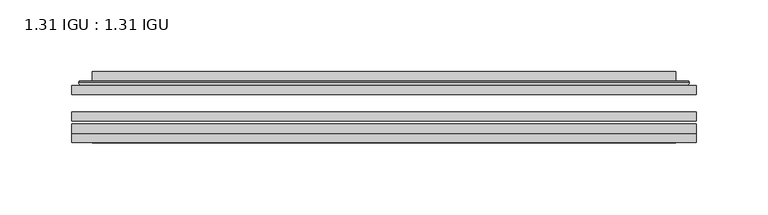
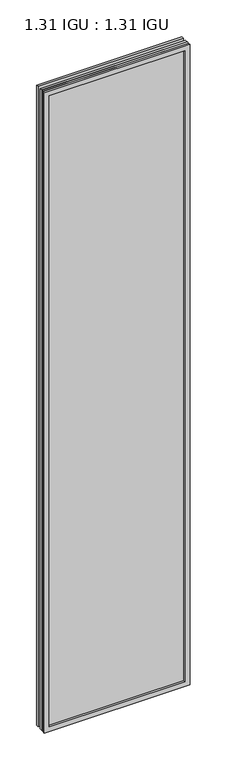
"""IFC4 building model written with IfcOpenShell, lengths in millimetres: plate geometry, 1.31 IGU : 1.31 IGU."""

import ifcopenshell
import ifcopenshell.guid

model = None  # the IFC model being written
_history = None  # IfcOwnerHistory: only IFC2X3 demands one
_inside = {}  # id of a spatial element -> (the spatial element, [elements in it])
_under = {}  # id of a project, library or spatial element -> (it, [spatial elements below it])
_declared = {}  # id of a project -> (the project, [libraries it declares])
_typed = {}  # id of a type object -> (the type object, [elements of that type])
_made_of = {}  # id of a material, layer set ... -> (it, [elements and type objects made of it])


def new_model(schema):
    """Start an empty IFC model of exactly this schema.

    Asked for "IFC4X3", IfcOpenShell would pick the latest addendum, in which some entities
    have other attributes; the version numbers below select the first issue.
    IFC2X3 requires an IfcOwnerHistory on every rooted entity: one is made here for all.
    """
    global model, _history
    if schema == "IFC4X3":
        model = ifcopenshell.file(schema_version=(4, 3, 0, 0))
    else:
        model = ifcopenshell.file(schema=schema)
    _inside.clear()
    _under.clear()
    _declared.clear()
    _typed.clear()
    _made_of.clear()
    _history = None
    if model.schema == "IFC2X3":
        org = make("IfcOrganization", Name="unknown")
        user = make(
            "IfcPersonAndOrganization",
            ThePerson=make("IfcPerson", FamilyName="unknown"),
            TheOrganization=org,
        )
        app = make(
            "IfcApplication",
            ApplicationDeveloper=org,
            Version="unknown",
            ApplicationFullName="unknown",
            ApplicationIdentifier="unknown",
        )
        _history = make(
            "IfcOwnerHistory",
            OwningUser=user,
            OwningApplication=app,
            ChangeAction="ADDED",
            CreationDate=0,
        )
    return model


def make(cls, **values):
    """One entity of the class cls with the attributes given. An attribute that is None is left unset."""
    return model.create_entity(
        cls, **{name: value for name, value in values.items() if value is not None}
    )


def rooted(cls, **values):
    """An entity with a GlobalId (a new one), such as an element, a storey or a relation."""
    return make(cls, GlobalId=ifcopenshell.guid.new(), OwnerHistory=_history, **values)


def si_unit(unit_type, name, prefix=None):
    """IfcSIUnit, for example si_unit("LENGTHUNIT", "METRE", prefix="MILLI")."""
    return make("IfcSIUnit", UnitType=unit_type, Prefix=prefix, Name=name)


def assignment(units):
    """IfcUnitAssignment: the units of a project."""
    return None if units is None else make("IfcUnitAssignment", Units=units)


def point(xyz):
    """IfcCartesianPoint."""
    return None if xyz is None else make("IfcCartesianPoint", Coordinates=xyz)


def direction(xyz):
    """IfcDirection."""
    return None if xyz is None else make("IfcDirection", DirectionRatios=xyz)


def frame(location, z_axis=None, x_axis=None):
    """IfcAxis2Placement3D, a coordinate frame: its origin and axes. An axis left out is left unset."""
    return make(
        "IfcAxis2Placement3D",
        Location=point(location),
        Axis=direction(z_axis),
        RefDirection=direction(x_axis),
    )


def origin():
    """The frame at (0, 0, 0) with its axes left unset."""
    return frame((0.0, 0.0, 0.0))


def place(relative_to, where):
    """IfcLocalPlacement: puts the frame where relative to a parent placement (None: the world)."""
    return make(
        "IfcLocalPlacement", PlacementRelTo=relative_to, RelativePlacement=where
    )


def context(
    kind, dimensions, precision=None, world=None, true_north=None, identifier=None
):
    """IfcGeometricRepresentationContext, for example the 3D "Model" context."""
    return make(
        "IfcGeometricRepresentationContext",
        ContextIdentifier=identifier,
        ContextType=kind,
        CoordinateSpaceDimension=dimensions,
        Precision=precision,
        WorldCoordinateSystem=world,
        TrueNorth=true_north,
    )


def project(units=None, contexts=None):
    """IfcProject with its units and contexts."""
    return rooted(
        "IfcProject",
        Name="project",
        RepresentationContexts=contexts,
        UnitsInContext=assignment(units),
    )


def spatial(cls, under=None, at=None, **own):
    """A site, building, storey or space (cls), placed at a placement, below another one or the project."""
    s = rooted(cls, ObjectPlacement=at, **own)
    if under is not None:
        _under.setdefault(under.id(), (under, []))[1].append(s)
    return s


def polyline(points):
    """IfcPolyline through the points."""
    return make("IfcPolyline", Points=[point(p) for p in points])


def ellipse_curve(where, semi_axis1, semi_axis2):
    """IfcEllipse in the frame where."""
    return make(
        "IfcEllipse", Position=where, SemiAxis1=semi_axis1, SemiAxis2=semi_axis2
    )


def outline(outer, holes=None, kind="AREA"):
    """IfcArbitraryClosedProfileDef: a profile drawn as a closed curve; with holes, ...WithVoids."""
    if holes is None:
        return make("IfcArbitraryClosedProfileDef", ProfileType=kind, OuterCurve=outer)
    return make(
        "IfcArbitraryProfileDefWithVoids",
        ProfileType=kind,
        OuterCurve=outer,
        InnerCurves=holes,
    )


def extrude(swept, where, along, depth):
    """IfcExtrudedAreaSolid: the profile swept, set in the frame where, extruded along a direction by depth."""
    return make(
        "IfcExtrudedAreaSolid",
        SweptArea=swept,
        Position=where,
        ExtrudedDirection=direction(along),
        Depth=depth,
    )


def faces_of(points, faces, orient=None, outer=None):
    """IfcFace entities. A face is a list of loops; a loop is a list of indices into points, from 0.

    orient and outer hold one flag for each loop. By default every Orientation is true, the
    first loop of a face is its IfcFaceOuterBound and the others are IfcFaceBound.
    """
    made = []
    for i, loops in enumerate(faces):
        bounds = []
        for j, loop in enumerate(loops):
            is_outer = j == 0 if outer is None else outer[i][j]
            bounds.append(
                make(
                    "IfcFaceOuterBound" if is_outer else "IfcFaceBound",
                    Bound=make("IfcPolyLoop", Polygon=[points[k] for k in loop]),
                    Orientation=True if orient is None else orient[i][j],
                )
            )
        made.append(make("IfcFace", Bounds=bounds))
    return made


def faceted_brep(points, faces, orient=None, outer=None, voids=None):
    """IfcFacetedBrep: a solid bounded by flat faces; with voids (closed shells), ...WithVoids."""
    shared = [point(p) for p in points]
    hull = make("IfcClosedShell", CfsFaces=faces_of(shared, faces, orient, outer))
    if voids is None:
        return make("IfcFacetedBrep", Outer=hull)
    return make(
        "IfcFacetedBrepWithVoids",
        Outer=hull,
        Voids=[
            make(cls, CfsFaces=faces_of(shared, fs, o, b)) for cls, fs, o, b in voids
        ],
    )


def shape(context_of_items, identifier, shape_type, items):
    """IfcShapeRepresentation: the items that make up one representation, for example the "Body"."""
    return make(
        "IfcShapeRepresentation",
        ContextOfItems=context_of_items,
        RepresentationIdentifier=identifier,
        RepresentationType=shape_type,
        Items=items,
    )


def source(mapping_origin, context_of_items, identifier, shape_type, items):
    """IfcRepresentationMap: a shape defined once, which mapped items show again and again."""
    return make(
        "IfcRepresentationMap",
        MappingOrigin=mapping_origin,
        MappedRepresentation=shape(context_of_items, identifier, shape_type, items),
    )


def transform(
    local_origin,
    x_axis=None,
    y_axis=None,
    z_axis=None,
    scale=None,
    scale2=None,
    scale3=None,
    uniform=True,
):
    """IfcCartesianTransformationOperator3D, or its non-uniform kind. x_axis, y_axis, z_axis: its Axis1, 2, 3."""
    if uniform:
        return make(
            "IfcCartesianTransformationOperator3D",
            Axis1=direction(x_axis),
            Axis2=direction(y_axis),
            LocalOrigin=point(local_origin),
            Scale=scale,
            Axis3=direction(z_axis),
        )
    return make(
        "IfcCartesianTransformationOperator3DnonUniform",
        Axis1=direction(x_axis),
        Axis2=direction(y_axis),
        LocalOrigin=point(local_origin),
        Scale=scale,
        Axis3=direction(z_axis),
        Scale2=scale2,
        Scale3=scale3,
    )


def mapped(mapping_source, mapping_target):
    """IfcMappedItem: shows the shape of a source again, moved by a transform."""
    return make(
        "IfcMappedItem", MappingSource=mapping_source, MappingTarget=mapping_target
    )


def made_of(thing, what):
    """Note that an element or type object is made of a material, layer set ...; save() writes the relation."""
    if what is not None:
        _made_of.setdefault(what.id(), (what, []))[1].append(thing)
    return thing


def element(
    cls,
    number,
    at=None,
    inside=None,
    cuts=None,
    type_object=None,
    material=None,
    context=None,
    identifier="Body",
    shape_type=None,
    held_by="IfcProductDefinitionShape",
    body=None,
    shapes=None,
    **own,
):
    """One element of the class cls, such as IfcWall. Its Tag is "e" and its number.

    at: its placement. inside: the storey or other place that contains it. cuts: it is an
    opening in that element (IfcRelVoidsElement). A single representation is given by context,
    identifier, shape_type and body (its items); several are given by shapes. held_by: the class
    of the entity that holds the representations. save() writes the other relations.
    """
    e = rooted(cls, Tag="e%d" % number, ObjectPlacement=at, **own)
    if body is not None:
        shapes = [shape(context, identifier, shape_type, body)]
    if shapes is not None:
        e.Representation = make(held_by, Representations=shapes)
    if inside is not None:
        _inside.setdefault(inside.id(), (inside, []))[1].append(e)
    if cuts is not None:
        rooted(
            "IfcRelVoidsElement", RelatingBuildingElement=cuts, RelatedOpeningElement=e
        )
    if type_object is not None:
        _typed.setdefault(type_object.id(), (type_object, []))[1].append(e)
    return made_of(e, material)


def aggregate(whole, parts):
    """IfcRelAggregates: a whole, such as a stair, and the parts it consists of."""
    return rooted("IfcRelAggregates", RelatingObject=whole, RelatedObjects=parts)


def save(model, path):
    """Write the relations noted so far, then the file.

    IfcRelAggregates (storeys below a building ...), IfcRelContainedInSpatialStructure (elements
    in a storey), IfcRelDefinesByType, IfcRelAssociatesMaterial and IfcRelDeclares: one each for
    every whole, place, type object, material and project.
    """
    for whole, parts in _under.values():
        aggregate(whole, parts)
    for where, things in _inside.values():
        rooted(
            "IfcRelContainedInSpatialStructure",
            RelatedElements=things,
            RelatingStructure=where,
        )
    for kind, things in _typed.values():
        rooted("IfcRelDefinesByType", RelatedObjects=things, RelatingType=kind)
    for what, things in _made_of.values():
        rooted("IfcRelAssociatesMaterial", RelatedObjects=things, RelatingMaterial=what)
    for by, libraries in _declared.values():
        rooted("IfcRelDeclares", RelatingContext=by, RelatedDefinitions=libraries)
    model.write(path)


def plane_surface(at):
    """IfcPlane: the flat surface through the origin of the frame at, square to its z axis."""
    return make("IfcPlane", Position=at)


def cylinder_surface(at, radius):
    """IfcCylindricalSurface: all points at the distance radius from the z axis of the frame at."""
    return make("IfcCylindricalSurface", Position=at, Radius=radius)


def advanced_brep(points, edges, surfaces, faces):
    """IfcAdvancedBrep: a solid bounded by faces that lie on surfaces and meet in shared edges.

    An edge is (start, end): straight between two places in points (the first is 0);
    or (start, end, curve); or (start, end, curve, False) where it runs against its curve.
    A face is (place in surfaces, loops), or (place, loops, False) where it looks against
    its surface's normal. A loop lists edges by number (the first is 1), with a minus sign
    where the edge is run from its end to its start. The first loop is the outer one.
    """
    corners = [point(p) for p in points]
    vertices = [make("IfcVertexPoint", VertexGeometry=c) for c in corners]
    made = []
    for start, end, *more in edges:
        made.append(
            make(
                "IfcEdgeCurve",
                EdgeStart=vertices[start],
                EdgeEnd=vertices[end],
                EdgeGeometry=more[0] if more else make("IfcPolyline", Points=[corners[start], corners[end]]),
                SameSense=more[1] if len(more) > 1 else True,
            )
        )
    hull = []
    for where, loops, *sense in faces:
        bounds = []
        for j, loop in enumerate(loops):
            ring = [make("IfcOrientedEdge", EdgeElement=made[abs(k) - 1], Orientation=k > 0) for k in loop]
            bounds.append(
                make(
                    "IfcFaceOuterBound" if j == 0 else "IfcFaceBound",
                    Bound=make("IfcEdgeLoop", EdgeList=ring),
                    Orientation=True,
                )
            )
        hull.append(make("IfcAdvancedFace", Bounds=bounds, FaceSurface=surfaces[where], SameSense=sense[0] if sense else True))
    return make("IfcAdvancedBrep", Outer=make("IfcClosedShell", CfsFaces=hull))


def plate_1_31_igu_1_31_igu_968484b2(model_context):
    return source(origin(), model_context, "Body", "SolidModel", [
        extrude(outline(polyline([(217.501675, -63.2975937), (217.501675, -69.6475938), (-217.4875, -69.6475938), (-217.4875, -63.2975937), (217.501675, -63.2975937)])), frame((0.0, 0.0, -14.2875), z_axis=(0.0, 0.0, 1.0), x_axis=(1.0, 0.0, 0.0)), (0.0, 0.0, 1.0), 2022.4787979),
        extrude(outline(polyline([(-217.4875, -78.2835938), (-217.4875, -71.9330887), (217.501675, -71.9330887), (217.501675, -78.2835938), (-217.4875, -78.2835938)])), frame((0.0, 0.0, -14.2875), z_axis=(0.0, 0.0, 1.0), x_axis=(1.0, 0.0, 0.0)), (0.0, 0.0, 1.0), 2022.4787979),
        extrude(outline(polyline([(217.501675, -44.9587937), (217.501675, -51.3087938), (-217.4875, -51.3087938), (-217.4875, -44.9587937), (217.501675, -44.9587937)])), frame((0.0, 0.0, -14.2875), z_axis=(0.0, 0.0, 1.0), x_axis=(1.0, 0.0, 0.0)), (0.0, 0.0, 1.0), 2022.4787979),
        faceted_brep([(-217.5002, -84.6335937, 2008.2002), (-217.5002, -78.2835937, 2008.2002), (-217.5002, -78.2835937, -14.3002), (-217.5002, -84.6335937, -14.3002), (217.5002, -78.2835937, -14.3002), (217.5002, -84.6335937, -14.3002), (217.5002, -78.2835937, 2008.2002), (217.5002, -84.6335937, 2008.2002), (-202.3022559, -78.2835937, 0.8977441), (202.3022559, -78.2835937, 0.8977441), (202.3022559, -78.2835937, 1993.0022559), (-202.3022559, -78.2835937, 1993.0022559), (-203.1946902, -84.6335937, 1993.8946902), (203.1946902, -84.6335937, 1993.8946902), (203.1946902, -84.6335937, 0.0053098), (-203.1946902, -84.6335937, 0.0053098)], [[[0, 1, 2, 3]], [[3, 2, 4, 5]], [[5, 4, 6, 7]], [[1, 6, 4, 2], [8, 9, 10, 11]], [[7, 6, 1, 0]], [[3, 5, 7, 0], [12, 13, 14, 15]], [[11, 12, 15, 8]], [[8, 15, 14, 9]], [[9, 14, 13, 10]], [[10, 13, 12, 11]]]),
        advanced_brep(
        [(-210.246219, -44.9587937, 2000.946219), (-212.6004244, -42.9691271, 2003.3004244), (-212.6004244, -42.9691271, -9.4004244), (-210.246219, -44.9587937, -7.046219), (-201.1718939, -41.1187568, 1991.8718939), (-196.2370621, -44.9587937, 1986.9370621), (-196.2370621, -44.9587937, 6.9629379), (-201.1718939, -41.1187568, 2.0281061), (-202.2039217, -35.7215256, 1992.9039217), (-202.2039217, -35.7215256, 0.9960783), (-203.1945784, -35.3225507, 1993.8945784), (-203.1945784, -35.3225507, 0.0054216), (-203.1945784, -41.7837937, 1993.8945784), (-203.1945784, -41.7837937, 0.0054216), (-211.5986349, -41.7837937, 2002.2986349), (-211.5986349, -41.7837937, -8.3986349), (212.6004244, -42.9691271, -9.4004244), (210.246219, -44.9587937, -7.046219), (196.2370621, -44.9587937, 6.9629379), (201.1718939, -41.1187568, 2.0281061), (202.2039217, -35.7215256, 0.9960783), (203.1945784, -35.3225507, 0.0054216), (203.1945784, -41.7837937, 0.0054216), (211.5986349, -41.7837937, -8.3986349), (212.6004244, -42.9691271, 2003.3004244), (210.246219, -44.9587937, 2000.946219), (196.2370621, -44.9587937, 1986.9370621), (201.1718939, -41.1187568, 1991.8718939), (202.2039217, -35.7215256, 1992.9039217), (203.1945784, -35.3225507, 1993.8945784), (203.1945784, -41.7837937, 1993.8945784), (211.5986349, -41.7837937, 2002.2986349)],
        [
            (0, 1, ellipse_curve(frame((-210.246219, -42.5711937, 2000.946219), z_axis=(-0.7071067811865475, 0.0, -0.7071067811865475), x_axis=(-0.7071067811865474, 0.0, 0.7071067811865476)), 3.3765763, 2.3876)),
            (1, 2),
            (2, 3, ellipse_curve(frame((-210.246219, -42.5711937, -7.046219), z_axis=(-0.7071067811865475, 0.0, 0.7071067811865475), x_axis=(0.7071067811865474, 0.0, 0.7071067811865476)), 3.3765763, 2.3876)),
            (3, 0),
            (4, 5),
            (5, 6),
            (6, 7),
            (7, 4),
            (8, 4),
            (7, 9),
            (9, 8),
            (10, 8, ellipse_curve(frame((-202.8276219, -35.840786, 1993.5276219), z_axis=(-0.7071067811865475, 0.0, -0.7071067811865475), x_axis=(-0.7071067811865474, 0.0, 0.7071067811865476)), 0.8980256, 0.635)),
            (9, 11, ellipse_curve(frame((-202.8276219, -35.840786, 0.3723781), z_axis=(-0.7071067811865475, 0.0, 0.7071067811865475), x_axis=(0.7071067811865474, 0.0, 0.7071067811865476)), 0.8980256, 0.635)),
            (11, 10),
            (12, 10),
            (11, 13),
            (13, 12),
            (1, 14, ellipse_curve(frame((-211.5986349, -42.7997937, 2002.2986349), z_axis=(-0.7071067811865475, 0.0, -0.7071067811865475), x_axis=(-0.7071067811865474, 0.0, 0.7071067811865476)), 1.436841, 1.016)),
            (14, 15),
            (15, 2, ellipse_curve(frame((-211.5986349, -42.7997937, -8.3986349), z_axis=(-0.7071067811865475, 0.0, 0.7071067811865475), x_axis=(0.7071067811865474, 0.0, 0.7071067811865476)), 1.436841, 1.016)),
            (2, 16),
            (16, 17, ellipse_curve(frame((210.246219, -42.5711937, -7.046219), z_axis=(-0.7071067811865475, 0.0, -0.7071067811865475), x_axis=(-0.7071067811865476, 0.0, 0.7071067811865474)), 3.3765763, 2.3876)),
            (17, 3),
            (6, 18),
            (18, 19),
            (19, 7),
            (19, 20),
            (20, 9),
            (20, 21, ellipse_curve(frame((202.8276219, -35.840786, 0.3723781), z_axis=(-0.7071067811865475, 0.0, -0.7071067811865475), x_axis=(-0.7071067811865476, 0.0, 0.7071067811865474)), 0.8980256, 0.635)),
            (21, 11),
            (21, 22),
            (22, 13),
            (15, 23),
            (23, 16, ellipse_curve(frame((211.5986349, -42.7997937, -8.3986349), z_axis=(-0.7071067811865475, 0.0, -0.7071067811865475), x_axis=(-0.7071067811865476, 0.0, 0.7071067811865474)), 1.436841, 1.016)),
            (16, 24),
            (24, 25, ellipse_curve(frame((210.246219, -42.5711937, 2000.946219), z_axis=(0.7071067811865475, 0.0, -0.7071067811865475), x_axis=(-0.7071067811865474, 0.0, -0.7071067811865476)), 3.3765763, 2.3876)),
            (25, 17),
            (18, 26),
            (26, 27),
            (27, 19),
            (27, 28),
            (28, 20),
            (28, 29, ellipse_curve(frame((202.8276219, -35.840786, 1993.5276219), z_axis=(0.7071067811865475, 0.0, -0.7071067811865475), x_axis=(-0.7071067811865474, 0.0, -0.7071067811865476)), 0.8980256, 0.635)),
            (29, 21),
            (29, 30),
            (30, 22),
            (23, 31),
            (31, 24, ellipse_curve(frame((211.5986349, -42.7997937, 2002.2986349), z_axis=(0.7071067811865475, 0.0, -0.7071067811865475), x_axis=(-0.7071067811865474, 0.0, -0.7071067811865476)), 1.436841, 1.016)),
            (24, 1),
            (0, 25),
            (5, 26),
            (4, 27),
            (8, 28),
            (10, 29),
            (12, 30),
            (14, 31),
        ],
        [
            cylinder_surface(frame((-210.246219, -42.5711937, 2025.65), z_axis=(0.0, 0.0, 1.0), x_axis=(-1.0, 0.0, 0.0)), 2.3876),
            plane_surface(frame((-196.2370621, -44.9587937, 1986.9370621), z_axis=(0.6141233906514794, 0.7892100234124821, 0.0), x_axis=(0.0, 0.0, -1.0))),
            plane_surface(frame((-201.1718939, -41.1187568, 1991.8718939), z_axis=(0.9822050625507729, 0.18781164793386074, 0.0), x_axis=(0.0, 0.0, -1.0))),
            cylinder_surface(frame((-202.8276219, -35.840786, 2025.65), z_axis=(0.0, 0.0, 1.0), x_axis=(-1.0, 0.0, 0.0)), 0.635),
            plane_surface(frame((-203.1945784, -35.3225507, 1993.8945784), z_axis=(-1.0, 0.0, 0.0), x_axis=(0.0, 0.0, -1.0))),
            cylinder_surface(frame((-211.5986349, -42.7997937, 2025.65), z_axis=(0.0, 0.0, 1.0), x_axis=(-1.0, 0.0, 0.0)), 1.016),
            cylinder_surface(frame((-234.95, -42.5711937, -7.046219), z_axis=(-1.0, 0.0, 0.0), x_axis=(0.0, 0.0, -1.0)), 2.3876),
            plane_surface(frame((-196.2370621, -44.9587937, 6.9629379), z_axis=(0.0, 0.7892100234124841, 0.6141233906514768), x_axis=(1.0, 0.0, 0.0))),
            plane_surface(frame((-201.1718939, -41.1187568, 2.0281061), z_axis=(0.0, 0.18781164793386393, 0.9822050625507723), x_axis=(1.0, 0.0, 0.0))),
            cylinder_surface(frame((-234.95, -35.840786, 0.3723781), z_axis=(-1.0, 0.0, 0.0), x_axis=(0.0, 0.0, -1.0)), 0.635),
            plane_surface(frame((-203.1945784, -35.3225507, 0.0054216), z_axis=(0.0, 0.0, -1.0), x_axis=(1.0, 0.0, 0.0))),
            cylinder_surface(frame((-234.95, -42.7997937, -8.3986349), z_axis=(-1.0, 0.0, 0.0), x_axis=(0.0, 0.0, -1.0)), 1.016),
            cylinder_surface(frame((210.246219, -42.5711937, -31.75), z_axis=(0.0, 0.0, -1.0), x_axis=(1.0, 0.0, 0.0)), 2.3876),
            plane_surface(frame((196.2370621, -44.9587937, 6.9629379), z_axis=(-0.6141233906514743, 0.7892100234124861, 0.0), x_axis=(0.0, 0.0, 1.0))),
            plane_surface(frame((201.1718939, -41.1187568, 2.0281061), z_axis=(-0.9822050625507718, 0.18781164793386712, 0.0), x_axis=(0.0, 0.0, 1.0))),
            cylinder_surface(frame((202.8276219, -35.840786, -31.75), z_axis=(0.0, 0.0, -1.0), x_axis=(1.0, 0.0, 0.0)), 0.635),
            plane_surface(frame((203.1945784, -35.3225507, 0.0054216), z_axis=(1.0, 0.0, 0.0), x_axis=(0.0, 0.0, 1.0))),
            cylinder_surface(frame((211.5986349, -42.7997937, -31.75), z_axis=(0.0, 0.0, -1.0), x_axis=(1.0, 0.0, 0.0)), 1.016),
            cylinder_surface(frame((234.95, -42.5711937, 2000.946219), z_axis=(1.0, 0.0, 0.0), x_axis=(0.0, 0.0, 1.0)), 2.3876),
            plane_surface(frame((210.246219, -44.9587937, 2000.946219), z_axis=(0.0, -1.0, 0.0), x_axis=(-1.0, 0.0, 0.0))),
            plane_surface(frame((196.2370621, -44.9587937, 1986.9370621), z_axis=(0.0, 0.7892100234124841, -0.6141233906514768), x_axis=(-1.0, 0.0, 0.0))),
            plane_surface(frame((201.1718939, -41.1187568, 1991.8718939), z_axis=(0.0, 0.18781164793386393, -0.9822050625507723), x_axis=(-1.0, 0.0, 0.0))),
            cylinder_surface(frame((234.95, -35.840786, 1993.5276219), z_axis=(1.0, 0.0, 0.0), x_axis=(0.0, 0.0, 1.0)), 0.635),
            plane_surface(frame((203.1945784, -35.3225507, 1993.8945784), z_axis=(0.0, 0.0, 1.0), x_axis=(-1.0, 0.0, 0.0))),
            plane_surface(frame((203.1945784, -41.7837937, 1993.8945784), z_axis=(0.0, 1.0, 0.0), x_axis=(-1.0, 0.0, 0.0))),
            cylinder_surface(frame((234.95, -42.7997937, 2002.2986349), z_axis=(1.0, 0.0, 0.0), x_axis=(0.0, 0.0, 1.0)), 1.016),
        ],
        [
            (0, [[1, 2, 3, 4]]),
            (1, [[5, 6, 7, 8]]),
            (2, [[9, -8, 10, 11]]),
            (3, [[12, -11, 13, 14]]),
            (4, [[15, -14, 16, 17]]),
            (5, [[18, 19, 20, -2]]),
            (6, [[-3, 21, 22, 23]]),
            (7, [[-7, 24, 25, 26]]),
            (8, [[-10, -26, 27, 28]]),
            (9, [[-13, -28, 29, 30]]),
            (10, [[-16, -30, 31, 32]]),
            (11, [[-20, 33, 34, -21]]),
            (12, [[-22, 35, 36, 37]]),
            (13, [[-25, 38, 39, 40]]),
            (14, [[-27, -40, 41, 42]]),
            (15, [[-29, -42, 43, 44]]),
            (16, [[-31, -44, 45, 46]]),
            (17, [[-34, 47, 48, -35]]),
            (18, [[-36, 49, -1, 50]]),
            (19, [[-23, -37, -50, -4], [51, -38, -24, -6]]),
            (20, [[-39, -51, -5, 52]]),
            (21, [[-41, -52, -9, 53]]),
            (22, [[-43, -53, -12, 54]]),
            (23, [[-45, -54, -15, 55]]),
            (24, [[56, -47, -33, -19], [-32, -46, -55, -17]]),
            (25, [[-48, -56, -18, -49]]),
        ],
    ),
    ])


if __name__ == "__main__":
    model = new_model("IFC4")
    model_context = context("Model", 3, world=origin())
    ifc_project = project(units=[si_unit("LENGTHUNIT", "METRE", prefix="MILLI")], contexts=[model_context])
    site = spatial("IfcSite", under=ifc_project)
    building = spatial("IfcBuilding", under=site)
    placement = place(None, origin())
    plate_1_31_igu_1_31_igu_shape = plate_1_31_igu_1_31_igu_968484b2(model_context)
    element("IfcPlate", 1, ObjectType="1.31 IGU : 1.31 IGU", at=placement, inside=building, context=model_context, shape_type="MappedRepresentation", body=[
        mapped(plate_1_31_igu_1_31_igu_shape, transform((0.0, 0.0, 0.0), x_axis=(1.0, 0.0, 0.0), y_axis=(0.0, 1.0, 0.0), z_axis=(0.0, 0.0, 1.0))),
    ])
    save(model, "model.ifc")
